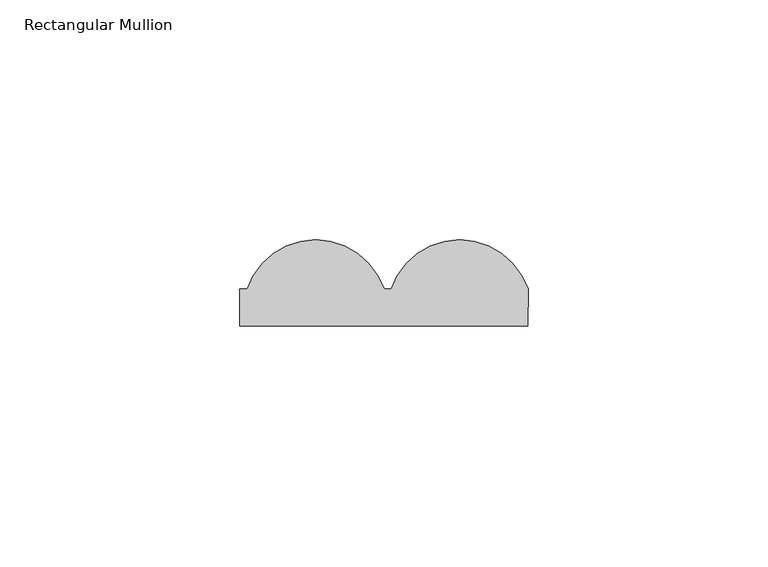
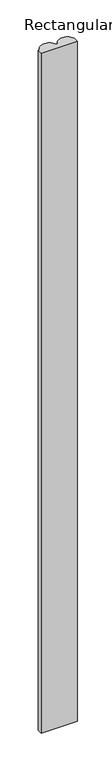
"""IFC4 building model written with IfcOpenShell, lengths in millimetres: member geometry, Rectangular Mullion."""

from ifc_helpers import new_model, si_unit, point, frame, frame_2d, origin, place, context, project, spatial, polyline, circle_curve, trimmed, segment, composite_curve, outline, extrude, source, transform, mapped, element, save


def rectangular_mullion_8774d3fd(model_context):
    return source(origin(), model_context, "Body", "SweptSolid", [
        extrude(outline(composite_curve([segment(polyline([(-30.0, 7.716254), (-28.4785497, 7.716254)]), True, "CONTINUOUS"), segment(trimmed(circle_curve(frame_2d((-14.2392748, 3.0)), 15.0), [point((-28.4785497, 7.716254))], [point((0.0, 7.716254))], False, "CARTESIAN"), True, "CONTINUOUS"), segment(polyline([(0.0, 7.716254), (1.5214503, 7.716254)]), True, "CONTINUOUS"), segment(trimmed(circle_curve(frame_2d((15.7607252, 3.0)), 15.0), [point((1.5214503, 7.716254))], [point((30.0, 7.716254))], False, "CARTESIAN"), True, "CONTINUOUS"), segment(polyline([(30.0, 7.716254), (30.0, 0.0), (-30.0, 0.0), (-30.0, 7.716254)]), True, "CONTINUOUS")], self_intersect=False)), frame((0.0, 0.0, -1200.0), z_axis=(0.0, 0.0, 1.0), x_axis=(1.0, 0.0, 0.0)), (0.0, 0.0, 1.0), 1200.0),
    ])


if __name__ == "__main__":
    model = new_model("IFC4")
    model_context = context("Model", 3, world=origin())
    ifc_project = project(units=[si_unit("LENGTHUNIT", "METRE", prefix="MILLI")], contexts=[model_context])
    site = spatial("IfcSite", under=ifc_project)
    building = spatial("IfcBuilding", under=site)
    placement = place(None, origin())
    rectangular_mullion_shape = rectangular_mullion_8774d3fd(model_context)
    element("IfcMember", 1, ObjectType="Rectangular Mullion", at=placement, inside=building, context=model_context, shape_type="MappedRepresentation", body=[
        mapped(rectangular_mullion_shape, transform((0.0, 0.0, 0.0), x_axis=(1.0, 0.0, 0.0), y_axis=(0.0, 1.0, 0.0), z_axis=(0.0, 0.0, 1.0))),
    ])
    save(model, "model.ifc")
